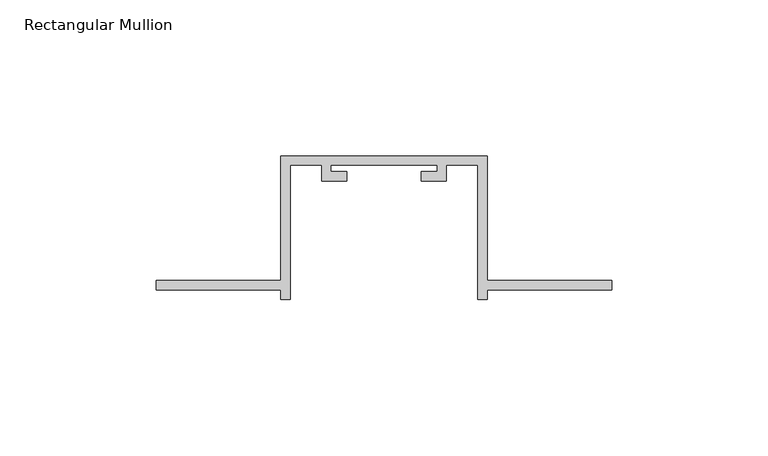
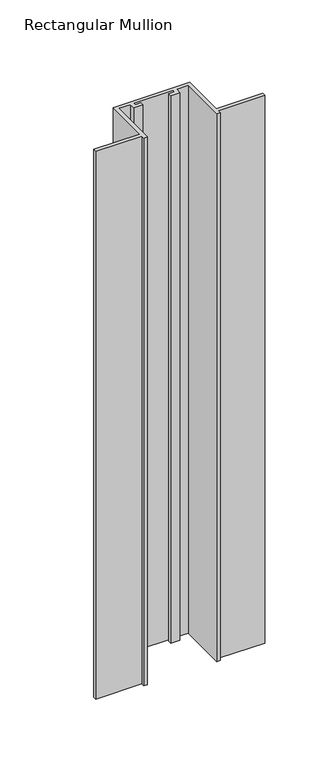
"""IFC4 building model written with IfcOpenShell, lengths in millimetres: member geometry, Rectangular Mullion."""

from ifc_helpers import new_model, si_unit, frame, origin, place, context, project, spatial, polyline, outline, extrude, source, transform, mapped, element, save


def rectangular_mullion_9b70984a(model_context):
    return source(origin(), model_context, "Body", "SweptSolid", [
        extrude(outline(polyline([(-40.0, -132.0), (-40.0, -135.0), (-43.0, -135.0), (-43.0, -92.0), (-53.0, -92.0), (-53.0, -97.0), (-61.0, -97.0), (-61.0, -94.0), (-56.0, -94.0), (-56.0, -92.0), (-90.0, -92.0), (-90.0, -94.0), (-85.0, -94.0), (-85.0, -97.0), (-93.0, -97.0), (-93.0, -92.0), (-103.0, -92.0), (-103.0, -135.0), (-106.0, -135.0), (-106.0, -132.0), (-146.0, -132.0), (-146.0, -129.0), (-106.0, -129.0), (-106.0, -89.0), (-40.0, -89.0), (-40.0, -129.0), (0.0, -129.0), (0.0, -132.0), (-40.0, -132.0)])), frame((0.0, 0.0, -500.0), z_axis=(0.0, 0.0, 1.0), x_axis=(1.0, 0.0, 0.0)), (0.0, 0.0, 1.0), 500.0),
    ])


if __name__ == "__main__":
    model = new_model("IFC4")
    model_context = context("Model", 3, world=origin())
    ifc_project = project(units=[si_unit("LENGTHUNIT", "METRE", prefix="MILLI")], contexts=[model_context])
    site = spatial("IfcSite", under=ifc_project)
    building = spatial("IfcBuilding", under=site)
    placement = place(None, origin())
    rectangular_mullion_shape = rectangular_mullion_9b70984a(model_context)
    element("IfcMember", 1, ObjectType="Rectangular Mullion", at=placement, inside=building, context=model_context, shape_type="MappedRepresentation", body=[
        mapped(rectangular_mullion_shape, transform((0.0, 0.0, 0.0), x_axis=(1.0, 0.0, 0.0), y_axis=(0.0, 1.0, 0.0), z_axis=(0.0, 0.0, 1.0))),
    ])
    save(model, "model.ifc")
